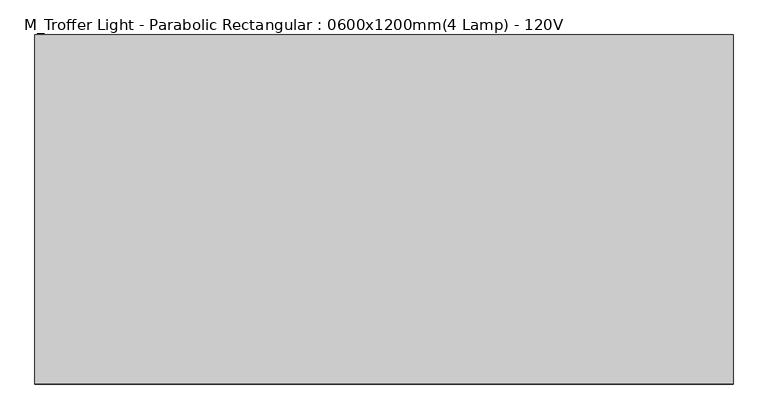
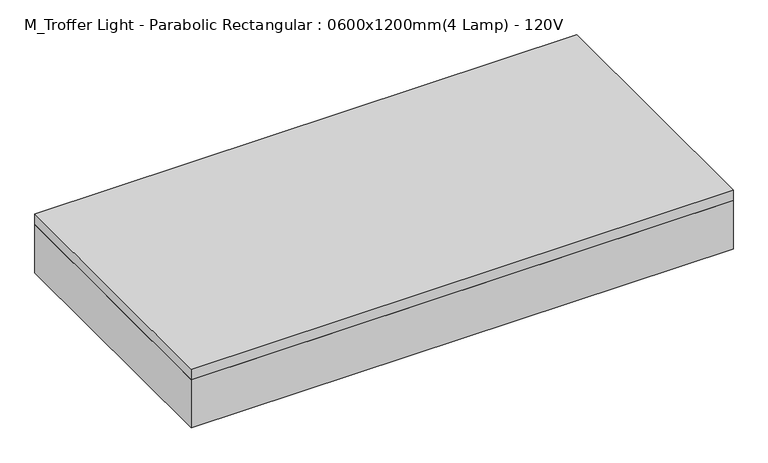
"""IFC4 building model written with IfcOpenShell, lengths in millimetres: light fixture geometry, M_Troffer Light - Parabolic Rectangular : 0600x1200mm(4 Lamp) - 120V."""

import ifcopenshell
import ifcopenshell.guid

model = None  # the IFC model being written
_history = None  # IfcOwnerHistory: only IFC2X3 demands one
_inside = {}  # id of a spatial element -> (the spatial element, [elements in it])
_under = {}  # id of a project, library or spatial element -> (it, [spatial elements below it])
_declared = {}  # id of a project -> (the project, [libraries it declares])
_typed = {}  # id of a type object -> (the type object, [elements of that type])
_made_of = {}  # id of a material, layer set ... -> (it, [elements and type objects made of it])


def new_model(schema):
    """Start an empty IFC model of exactly this schema.

    Asked for "IFC4X3", IfcOpenShell would pick the latest addendum, in which some entities
    have other attributes; the version numbers below select the first issue.
    IFC2X3 requires an IfcOwnerHistory on every rooted entity: one is made here for all.
    """
    global model, _history
    if schema == "IFC4X3":
        model = ifcopenshell.file(schema_version=(4, 3, 0, 0))
    else:
        model = ifcopenshell.file(schema=schema)
    _inside.clear()
    _under.clear()
    _declared.clear()
    _typed.clear()
    _made_of.clear()
    _history = None
    if model.schema == "IFC2X3":
        org = make("IfcOrganization", Name="unknown")
        user = make(
            "IfcPersonAndOrganization",
            ThePerson=make("IfcPerson", FamilyName="unknown"),
            TheOrganization=org,
        )
        app = make(
            "IfcApplication",
            ApplicationDeveloper=org,
            Version="unknown",
            ApplicationFullName="unknown",
            ApplicationIdentifier="unknown",
        )
        _history = make(
            "IfcOwnerHistory",
            OwningUser=user,
            OwningApplication=app,
            ChangeAction="ADDED",
            CreationDate=0,
        )
    return model


def make(cls, **values):
    """One entity of the class cls with the attributes given. An attribute that is None is left unset."""
    return model.create_entity(
        cls, **{name: value for name, value in values.items() if value is not None}
    )


def rooted(cls, **values):
    """An entity with a GlobalId (a new one), such as an element, a storey or a relation."""
    return make(cls, GlobalId=ifcopenshell.guid.new(), OwnerHistory=_history, **values)


def si_unit(unit_type, name, prefix=None):
    """IfcSIUnit, for example si_unit("LENGTHUNIT", "METRE", prefix="MILLI")."""
    return make("IfcSIUnit", UnitType=unit_type, Prefix=prefix, Name=name)


def assignment(units):
    """IfcUnitAssignment: the units of a project."""
    return None if units is None else make("IfcUnitAssignment", Units=units)


def point(xyz):
    """IfcCartesianPoint."""
    return None if xyz is None else make("IfcCartesianPoint", Coordinates=xyz)


def direction(xyz):
    """IfcDirection."""
    return None if xyz is None else make("IfcDirection", DirectionRatios=xyz)


def frame(location, z_axis=None, x_axis=None):
    """IfcAxis2Placement3D, a coordinate frame: its origin and axes. An axis left out is left unset."""
    return make(
        "IfcAxis2Placement3D",
        Location=point(location),
        Axis=direction(z_axis),
        RefDirection=direction(x_axis),
    )


def origin():
    """The frame at (0, 0, 0) with its axes left unset."""
    return frame((0.0, 0.0, 0.0))


def place(relative_to, where):
    """IfcLocalPlacement: puts the frame where relative to a parent placement (None: the world)."""
    return make(
        "IfcLocalPlacement", PlacementRelTo=relative_to, RelativePlacement=where
    )


def context(
    kind, dimensions, precision=None, world=None, true_north=None, identifier=None
):
    """IfcGeometricRepresentationContext, for example the 3D "Model" context."""
    return make(
        "IfcGeometricRepresentationContext",
        ContextIdentifier=identifier,
        ContextType=kind,
        CoordinateSpaceDimension=dimensions,
        Precision=precision,
        WorldCoordinateSystem=world,
        TrueNorth=true_north,
    )


def project(units=None, contexts=None):
    """IfcProject with its units and contexts."""
    return rooted(
        "IfcProject",
        Name="project",
        RepresentationContexts=contexts,
        UnitsInContext=assignment(units),
    )


def spatial(cls, under=None, at=None, **own):
    """A site, building, storey or space (cls), placed at a placement, below another one or the project."""
    s = rooted(cls, ObjectPlacement=at, **own)
    if under is not None:
        _under.setdefault(under.id(), (under, []))[1].append(s)
    return s


def polyline(points):
    """IfcPolyline through the points."""
    return make("IfcPolyline", Points=[point(p) for p in points])


def outline(outer, holes=None, kind="AREA"):
    """IfcArbitraryClosedProfileDef: a profile drawn as a closed curve; with holes, ...WithVoids."""
    if holes is None:
        return make("IfcArbitraryClosedProfileDef", ProfileType=kind, OuterCurve=outer)
    return make(
        "IfcArbitraryProfileDefWithVoids",
        ProfileType=kind,
        OuterCurve=outer,
        InnerCurves=holes,
    )


def extrude(swept, where, along, depth):
    """IfcExtrudedAreaSolid: the profile swept, set in the frame where, extruded along a direction by depth."""
    return make(
        "IfcExtrudedAreaSolid",
        SweptArea=swept,
        Position=where,
        ExtrudedDirection=direction(along),
        Depth=depth,
    )


def shape(context_of_items, identifier, shape_type, items):
    """IfcShapeRepresentation: the items that make up one representation, for example the "Body"."""
    return make(
        "IfcShapeRepresentation",
        ContextOfItems=context_of_items,
        RepresentationIdentifier=identifier,
        RepresentationType=shape_type,
        Items=items,
    )


def source(mapping_origin, context_of_items, identifier, shape_type, items):
    """IfcRepresentationMap: a shape defined once, which mapped items show again and again."""
    return make(
        "IfcRepresentationMap",
        MappingOrigin=mapping_origin,
        MappedRepresentation=shape(context_of_items, identifier, shape_type, items),
    )


def transform(
    local_origin,
    x_axis=None,
    y_axis=None,
    z_axis=None,
    scale=None,
    scale2=None,
    scale3=None,
    uniform=True,
):
    """IfcCartesianTransformationOperator3D, or its non-uniform kind. x_axis, y_axis, z_axis: its Axis1, 2, 3."""
    if uniform:
        return make(
            "IfcCartesianTransformationOperator3D",
            Axis1=direction(x_axis),
            Axis2=direction(y_axis),
            LocalOrigin=point(local_origin),
            Scale=scale,
            Axis3=direction(z_axis),
        )
    return make(
        "IfcCartesianTransformationOperator3DnonUniform",
        Axis1=direction(x_axis),
        Axis2=direction(y_axis),
        LocalOrigin=point(local_origin),
        Scale=scale,
        Axis3=direction(z_axis),
        Scale2=scale2,
        Scale3=scale3,
    )


def mapped(mapping_source, mapping_target):
    """IfcMappedItem: shows the shape of a source again, moved by a transform."""
    return make(
        "IfcMappedItem", MappingSource=mapping_source, MappingTarget=mapping_target
    )


def made_of(thing, what):
    """Note that an element or type object is made of a material, layer set ...; save() writes the relation."""
    if what is not None:
        _made_of.setdefault(what.id(), (what, []))[1].append(thing)
    return thing


def element(
    cls,
    number,
    at=None,
    inside=None,
    cuts=None,
    type_object=None,
    material=None,
    context=None,
    identifier="Body",
    shape_type=None,
    held_by="IfcProductDefinitionShape",
    body=None,
    shapes=None,
    **own,
):
    """One element of the class cls, such as IfcWall. Its Tag is "e" and its number.

    at: its placement. inside: the storey or other place that contains it. cuts: it is an
    opening in that element (IfcRelVoidsElement). A single representation is given by context,
    identifier, shape_type and body (its items); several are given by shapes. held_by: the class
    of the entity that holds the representations. save() writes the other relations.
    """
    e = rooted(cls, Tag="e%d" % number, ObjectPlacement=at, **own)
    if body is not None:
        shapes = [shape(context, identifier, shape_type, body)]
    if shapes is not None:
        e.Representation = make(held_by, Representations=shapes)
    if inside is not None:
        _inside.setdefault(inside.id(), (inside, []))[1].append(e)
    if cuts is not None:
        rooted(
            "IfcRelVoidsElement", RelatingBuildingElement=cuts, RelatedOpeningElement=e
        )
    if type_object is not None:
        _typed.setdefault(type_object.id(), (type_object, []))[1].append(e)
    return made_of(e, material)


def aggregate(whole, parts):
    """IfcRelAggregates: a whole, such as a stair, and the parts it consists of."""
    return rooted("IfcRelAggregates", RelatingObject=whole, RelatedObjects=parts)


def save(model, path):
    """Write the relations noted so far, then the file.

    IfcRelAggregates (storeys below a building ...), IfcRelContainedInSpatialStructure (elements
    in a storey), IfcRelDefinesByType, IfcRelAssociatesMaterial and IfcRelDeclares: one each for
    every whole, place, type object, material and project.
    """
    for whole, parts in _under.values():
        aggregate(whole, parts)
    for where, things in _inside.values():
        rooted(
            "IfcRelContainedInSpatialStructure",
            RelatedElements=things,
            RelatingStructure=where,
        )
    for kind, things in _typed.values():
        rooted("IfcRelDefinesByType", RelatedObjects=things, RelatingType=kind)
    for what, things in _made_of.values():
        rooted("IfcRelAssociatesMaterial", RelatedObjects=things, RelatingMaterial=what)
    for by, libraries in _declared.values():
        rooted("IfcRelDeclares", RelatingContext=by, RelatedDefinitions=libraries)
    model.write(path)


def m_troffer_light_parabolic_rectangular_0600x1200mm_4_lamp_ca384779(model_context):
    return source(origin(), model_context, "Body", "SweptSolid", [
        extrude(outline(polyline([(565.4964984, 219.9340679), (565.4964984, -338.8659321), (-602.9035016, -338.8659321), (-602.9035016, 219.9340679), (565.4964984, 219.9340679)]), holes=[polyline([(-409.2285016, 35.7840679), (-409.2285016, 213.5840679), (-596.5535016, 213.5840679), (-596.5535016, 35.7840679), (-409.2285016, 35.7840679)]), polyline([(-409.2285016, -148.3659321), (-409.2285016, 29.4340679), (-596.5535016, 29.4340679), (-596.5535016, -148.3659321), (-409.2285016, -148.3659321)]), polyline([(-409.2285016, -154.7159321), (-596.5535016, -154.7159321), (-596.5535016, -332.5159321), (-409.2285016, -332.5159321), (-409.2285016, -154.7159321)]), polyline([(-215.5535016, 35.7840679), (-215.5535016, 213.5840679), (-402.8785016, 213.5840679), (-402.8785016, 35.7840679), (-215.5535016, 35.7840679)]), polyline([(-215.5535016, -148.3659321), (-215.5535016, 29.4340679), (-402.8785016, 29.4340679), (-402.8785016, -148.3659321), (-215.5535016, -148.3659321)]), polyline([(-215.5535016, -154.7159321), (-402.8785016, -154.7159321), (-402.8785016, -332.5159321), (-215.5535016, -332.5159321), (-215.5535016, -154.7159321)]), polyline([(-21.8785016, 35.7840679), (-21.8785016, 213.5840679), (-209.2035016, 213.5840679), (-209.2035016, 35.7840679), (-21.8785016, 35.7840679)]), polyline([(-21.8785016, -148.3659321), (-21.8785016, 29.4340679), (-209.2035016, 29.4340679), (-209.2035016, -148.3659321), (-21.8785016, -148.3659321)]), polyline([(-21.8785016, -154.7159321), (-209.2035016, -154.7159321), (-209.2035016, -332.5159321), (-21.8785016, -332.5159321), (-21.8785016, -154.7159321)]), polyline([(171.7964984, 35.7840679), (171.7964984, 213.5840679), (-15.5285016, 213.5840679), (-15.5285016, 35.7840679), (171.7964984, 35.7840679)]), polyline([(171.7964984, -148.3659321), (171.7964984, 29.4340679), (-15.5285016, 29.4340679), (-15.5285016, -148.3659321), (171.7964984, -148.3659321)]), polyline([(171.7964984, -154.7159321), (-15.5285016, -154.7159321), (-15.5285016, -332.5159321), (171.7964984, -332.5159321), (171.7964984, -154.7159321)]), polyline([(365.4714984, 35.7840679), (365.4714984, 213.5840679), (178.1464984, 213.5840679), (178.1464984, 35.7840679), (365.4714984, 35.7840679)]), polyline([(365.4714984, -148.3659321), (365.4714984, 29.4340679), (178.1464984, 29.4340679), (178.1464984, -148.3659321), (365.4714984, -148.3659321)]), polyline([(365.4714984, -154.7159321), (178.1464984, -154.7159321), (178.1464984, -332.5159321), (365.4714984, -332.5159321), (365.4714984, -154.7159321)]), polyline([(559.1464984, 35.7840679), (559.1464984, 213.5840679), (371.8214984, 213.5840679), (371.8214984, 35.7840679), (559.1464984, 35.7840679)]), polyline([(559.1464984, -148.3659321), (559.1464984, 29.4340679), (371.8214984, 29.4340679), (371.8214984, -148.3659321), (559.1464984, -148.3659321)]), polyline([(559.1464984, -154.7159321), (371.8214984, -154.7159321), (371.8214984, -332.5159321), (559.1464984, -332.5159321), (559.1464984, -154.7159321)])]), frame((0.0, 0.0, 2438.4), z_axis=(0.0, 0.0, 1.0), x_axis=(1.0, 0.0, 0.0)), (0.0, 0.0, 1.0), 3.175),
        extrude(outline(polyline([(565.4964984, 219.9340679), (565.4964984, -338.8659321), (-602.9035016, -338.8659321), (-602.9035016, 219.9340679), (565.4964984, 219.9340679)])), frame((0.0, 0.0, 2514.6), z_axis=(0.0, 0.0, 1.0), x_axis=(1.0, 0.0, 0.0)), (0.0, 0.0, 1.0), 6.35),
        extrude(outline(polyline([(565.4964984, 219.9340679), (565.4964984, -338.8659321), (-602.9035016, -338.8659321), (-602.9035016, 219.9340679), (565.4964984, 219.9340679)]), holes=[polyline([(-409.2285016, 35.7840679), (-409.2285016, 213.5840679), (-596.5535016, 213.5840679), (-596.5535016, 35.7840679), (-409.2285016, 35.7840679)]), polyline([(-409.2285016, -148.3659321), (-409.2285016, 29.4340679), (-596.5535016, 29.4340679), (-596.5535016, -148.3659321), (-409.2285016, -148.3659321)]), polyline([(-409.2285016, -154.7159321), (-596.5535016, -154.7159321), (-596.5535016, -332.5159321), (-409.2285016, -332.5159321), (-409.2285016, -154.7159321)]), polyline([(-215.5535016, 35.7840679), (-215.5535016, 213.5840679), (-402.8785016, 213.5840679), (-402.8785016, 35.7840679), (-215.5535016, 35.7840679)]), polyline([(-215.5535016, -148.3659321), (-215.5535016, 29.4340679), (-402.8785016, 29.4340679), (-402.8785016, -148.3659321), (-215.5535016, -148.3659321)]), polyline([(-215.5535016, -154.7159321), (-402.8785016, -154.7159321), (-402.8785016, -332.5159321), (-215.5535016, -332.5159321), (-215.5535016, -154.7159321)]), polyline([(-21.8785016, 35.7840679), (-21.8785016, 213.5840679), (-209.2035016, 213.5840679), (-209.2035016, 35.7840679), (-21.8785016, 35.7840679)]), polyline([(-21.8785016, -148.3659321), (-21.8785016, 29.4340679), (-209.2035016, 29.4340679), (-209.2035016, -148.3659321), (-21.8785016, -148.3659321)]), polyline([(-21.8785016, -154.7159321), (-209.2035016, -154.7159321), (-209.2035016, -332.5159321), (-21.8785016, -332.5159321), (-21.8785016, -154.7159321)]), polyline([(171.7964984, 35.7840679), (171.7964984, 213.5840679), (-15.5285016, 213.5840679), (-15.5285016, 35.7840679), (171.7964984, 35.7840679)]), polyline([(171.7964984, -148.3659321), (171.7964984, 29.4340679), (-15.5285016, 29.4340679), (-15.5285016, -148.3659321), (171.7964984, -148.3659321)]), polyline([(171.7964984, -154.7159321), (-15.5285016, -154.7159321), (-15.5285016, -332.5159321), (171.7964984, -332.5159321), (171.7964984, -154.7159321)]), polyline([(365.4714984, 35.7840679), (365.4714984, 213.5840679), (178.1464984, 213.5840679), (178.1464984, 35.7840679), (365.4714984, 35.7840679)]), polyline([(365.4714984, -148.3659321), (365.4714984, 29.4340679), (178.1464984, 29.4340679), (178.1464984, -148.3659321), (365.4714984, -148.3659321)]), polyline([(365.4714984, -154.7159321), (178.1464984, -154.7159321), (178.1464984, -332.5159321), (365.4714984, -332.5159321), (365.4714984, -154.7159321)]), polyline([(559.1464984, 35.7840679), (559.1464984, 213.5840679), (371.8214984, 213.5840679), (371.8214984, 35.7840679), (559.1464984, 35.7840679)]), polyline([(559.1464984, -148.3659321), (559.1464984, 29.4340679), (371.8214984, 29.4340679), (371.8214984, -148.3659321), (559.1464984, -148.3659321)]), polyline([(559.1464984, -154.7159321), (371.8214984, -154.7159321), (371.8214984, -332.5159321), (559.1464984, -332.5159321), (559.1464984, -154.7159321)])]), frame((0.0, 0.0, 2441.575), z_axis=(0.0, 0.0, 1.0), x_axis=(1.0, 0.0, 0.0)), (0.0, 0.0, 1.0), 47.625),
        extrude(outline(polyline([(590.8964984, 245.3340679), (590.8964984, -364.2659321), (-628.3035016, -364.2659321), (-628.3035016, 245.3340679), (590.8964984, 245.3340679)]), holes=[polyline([(565.4964984, 219.9340679), (-602.9035016, 219.9340679), (-602.9035016, -338.8659321), (565.4964984, -338.8659321), (565.4964984, 219.9340679)])]), frame((0.0, 0.0, 2438.4), z_axis=(0.0, 0.0, 1.0), x_axis=(1.0, 0.0, 0.0)), (0.0, 0.0, 1.0), 114.3),
        extrude(outline(polyline([(590.8964984, 245.3340679), (590.8964984, -364.2659321), (-628.3035016, -364.2659321), (-628.3035016, 245.3340679), (590.8964984, 245.3340679)])), frame((0.0, 0.0, 2552.7), z_axis=(0.0, 0.0, 1.0), x_axis=(1.0, 0.0, 0.0)), (0.0, 0.0, 1.0), 25.4),
    ])


if __name__ == "__main__":
    model = new_model("IFC4")
    model_context = context("Model", 3, world=origin())
    ifc_project = project(units=[si_unit("LENGTHUNIT", "METRE", prefix="MILLI")], contexts=[model_context])
    site = spatial("IfcSite", under=ifc_project)
    building = spatial("IfcBuilding", under=site)
    placement = place(None, origin())
    m_troffer_light_parabolic_rectangular_0600x1200mm_4_lamp_shape = m_troffer_light_parabolic_rectangular_0600x1200mm_4_lamp_ca384779(model_context)
    element("IfcLightFixture", 1, ObjectType="M_Troffer Light - Parabolic Rectangular : 0600x1200mm(4 Lamp) - 120V", at=placement, inside=building, context=model_context, shape_type="MappedRepresentation", body=[
        mapped(m_troffer_light_parabolic_rectangular_0600x1200mm_4_lamp_shape, transform((0.0, 0.0, 0.0), x_axis=(1.0, 0.0, 0.0), y_axis=(0.0, 1.0, 0.0), z_axis=(0.0, 0.0, 1.0))),
    ])
    save(model, "model.ifc")
